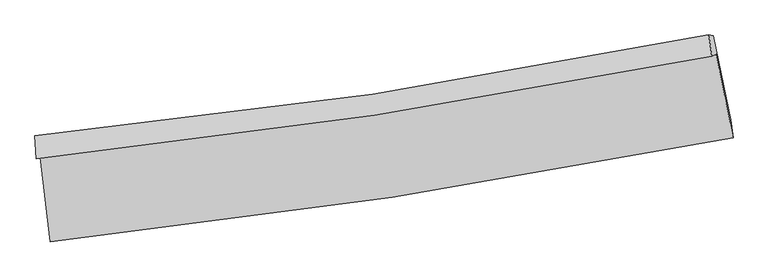
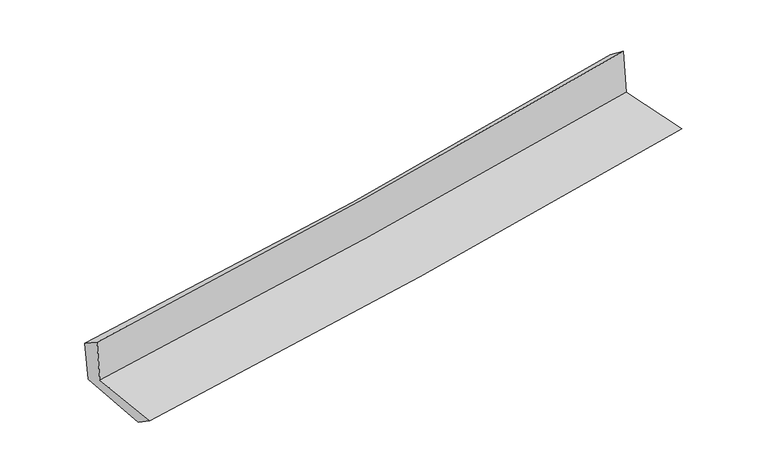
"""IFC4 building model written with IfcOpenShell, lengths in millimetres: proxy geometry."""

from ifc_helpers import new_model, si_unit, frame, origin, place, context, project, spatial, source, transform, mapped, element, save
from ifc_brep_helpers import plane_surface, spline_curve, spline_surface, advanced_brep


def generic_models_09e2819f(model_context):
    return source(origin(), model_context, "Body", "AdvancedBrep", [
        advanced_brep(
        [(-2657.7393669, -1886.7534373, 1660.7024818), (-2582.0144725, -2547.4401528, 1644.7660839), (2740.0879882, -1737.6016158, 2103.6376769), (2607.7676107, -1086.0824195, 2109.2347751), (-2689.190393, -1899.6254647, 2044.9017162), (2573.8259212, -1099.9738059, 2523.8594387), (-2699.7494974, -1719.9414822, 1932.0431557), (2551.4314717, -935.2761497, 2400.5583265), (-2668.5950276, -1725.8743402, 1576.0231387), (2586.3817788, -941.3587472, 2020.1483156), (-2590.7032315, -2382.7132522, 1529.7246114), (2722.2243776, -1594.4797238, 1978.4713154)],
        [
            (0, 1),
            (1, 2, spline_curve(3, [(-2582.0144725, -2547.4401528, 1644.7660839), (-1691.327066162, -2451.188049845, 1732.24324724), (-803.120224488, -2335.702402097, 1814.173298148), (970.928491996, -2065.869139923, 1967.163061764), (1856.755803784, -1911.408608516, 2038.190208516), (2740.0879882, -1737.6016158, 2103.6376769)], [4, 2, 4], [0.0, 8.80519367387037, 17.636196352490092])),
            (2, 3),
            (3, 0, spline_curve(3, [(2607.7676107, -1086.0824195, 2109.2347751), (1733.595127419, -1257.984601145, 2047.301855621), (857.071068093, -1410.7279229, 1978.893543514), (-898.111649497, -1677.506440667, 1829.3449851), (-1776.756582463, -1791.653458129, 1748.242532714), (-2657.7393669, -1886.7534373, 1660.7024818)], [4, 2, 4], [0.0, 8.831002678619722, 17.636196352490092])),
            (4, 0),
            (3, 5),
            (5, 4, spline_curve(3, [(2573.8259212, -1099.9738059, 2523.8594387), (1700.347148649, -1275.294232064, 2460.132484594), (824.377599892, -1429.658979853, 2388.285589294), (-929.975709062, -1696.087223909, 2228.585622603), (-1808.344931817, -1808.273029037, 2140.779943937), (-2689.190393, -1899.6254647, 2044.9017162)], [4, 2, 4], [0.0, 8.783685622071534, 17.5417005256316])),
            (6, 4),
            (5, 7),
            (7, 6, spline_curve(3, [(2551.4314717, -935.2761497, 2400.5583265), (1681.255880193, -1112.374455513, 2328.627041052), (807.924672628, -1266.374323708, 2253.556744776), (-942.487401644, -1527.794619341, 2097.366700262), (-1819.549850462, -1635.349862105, 2016.265273081), (-2699.7494974, -1719.9414822, 1932.0431557)], [4, 2, 4], [0.0, 8.771994373436746, 17.518352196564948])),
            (8, 6),
            (7, 9),
            (9, 8, spline_curve(3, [(2586.3817788, -941.3587472, 2020.1483156), (1715.699679779, -1118.471990389, 1950.712786337), (841.798343066, -1272.466801217, 1878.926994402), (-909.879381914, -1533.837067245, 1730.87155157), (-1787.636980397, -1641.347453657, 1654.615617728), (-2668.5950276, -1725.8743402, 1576.0231387)], [4, 2, 4], [0.0, 8.761336067531442, 17.497066734135416])),
            (10, 8),
            (9, 11),
            (11, 10, spline_curve(3, [(2722.2243776, -1594.4797238, 1978.4713154), (1841.672547064, -1771.091840771, 1908.358211856), (958.000188099, -1925.147191014, 1835.847873626), (-812.993894776, -2187.760046829, 1686.251647345), (-1700.29740552, -2296.449206109, 1609.179751183), (-2590.7032315, -2382.7132522, 1529.7246114)], [4, 2, 4], [0.0, 8.810266848300163, 17.59478529325295])),
            (1, 10),
            (11, 2),
        ],
        [
            spline_surface(3, 3, [[(-2657.7393669, -1886.7534373, 1660.7024818), (-1776.756582604, -1791.653458004, 1748.242532796), (-898.111649509, -1677.506440609, 1829.344985117), (857.071068105, -1410.727922959, 1978.893543497), (1733.595127562, -1257.984601108, 2047.301855612), (2607.7676107, -1086.0824195, 2109.2347751)], [(-2632.497735432, -2106.982342458, 1655.390349159), (-1748.280077123, -2011.498321985, 1742.909437598), (-866.447841174, -1896.905094468, 1824.287756097), (895.023542734, -1629.108328565, 1974.983382935), (1774.648686349, -1475.792603602, 2044.264639957), (2651.874403205, -1303.255484952, 2107.369075714)], [(-2607.256103968, -2327.211247642, 1650.078216541), (-1719.803571647, -2231.343185994, 1737.576342422), (-834.784032829, -2116.303748355, 1819.230527099), (932.976017373, -1847.488734199, 1971.073222395), (1815.702245122, -1693.600606039, 2041.227424261), (2695.981195695, -1520.428550348, 2105.503376286)], [(-2582.0144725, -2547.4401528, 1644.7660839), (-1691.327066165, -2451.188049976, 1732.243247224), (-803.120224494, -2335.702402214, 1814.173298079), (970.928492002, -2065.869139806, 1967.163061833), (1856.755803909, -1911.408608533, 2038.190208606), (2740.0879882, -1737.6016158, 2103.6376769)]], [4, 4], [4, 2, 4], [0.0, 2.181940538935233], [0.0, 8.80519367387037, 17.636196352490092]),
            spline_surface(3, 3, [[(-2689.190393, -1899.6254647, 2044.9017162), (-1808.344931818, -1808.273029153, 2140.779943878), (-929.975709048, -1696.087223923, 2228.585622633), (824.377599878, -1429.658979839, 2388.285589264), (1700.347148528, -1275.294232135, 2460.13248462), (2573.8259212, -1099.9738059, 2523.8594387)], [(-2678.706717623, -1895.334788896, 1916.835304747), (-1797.815482069, -1802.733172099, 2009.934140198), (-919.35435587, -1689.893629497, 2095.505410125), (835.275422619, -1423.348627557, 2251.821574006), (1711.429808217, -1269.524355111, 2322.522274935), (2585.139817711, -1095.343343752, 2385.651217484)], [(-2668.223042277, -1891.044113104, 1788.768893253), (-1787.286032353, -1797.193315058, 1879.088336476), (-908.733002687, -1683.700035035, 1962.425197625), (846.173245365, -1417.03827524, 2115.357558755), (1722.512467873, -1263.754478132, 2184.912065297), (2596.453714189, -1090.712881648, 2247.442996316)], [(-2657.7393669, -1886.7534373, 1660.7024818), (-1776.756582604, -1791.653458004, 1748.242532796), (-898.111649509, -1677.506440609, 1829.344985117), (857.071068105, -1410.727922959, 1978.893543497), (1733.595127562, -1257.984601108, 2047.301855612), (2607.7676107, -1086.0824195, 2109.2347751)]], [4, 4], [4, 2, 4], [0.0, 1.3321887014359775], [0.0, 8.758014903560067, 17.5417005256316]),
            spline_surface(3, 3, [[(-2699.7494974, -1719.9414822, 1932.0431557), (-1819.549850519, -1635.349862064, 2016.265272976), (-942.487401652, -1527.794619353, 2097.36670023), (807.924672636, -1266.374323696, 2253.556744808), (1681.255880107, -1112.374455556, 2328.627041183), (2551.4314717, -935.2761497, 2400.5583265)], [(-2696.229795918, -1779.836143055, 1969.66267584), (-1815.814877604, -1692.990917781, 2057.77016325), (-938.316837437, -1583.892154191, 2141.106341038), (813.408981731, -1320.802542391, 2298.466359633), (1687.619636238, -1166.681047762, 2372.462189011), (2558.896288191, -990.175368446, 2441.658697249)], [(-2692.710094482, -1839.730803845, 2007.28219606), (-1812.079904733, -1750.631973435, 2099.275053604), (-934.146273263, -1639.989689086, 2184.845981825), (818.893290784, -1375.230761143, 2343.375974439), (1693.983392397, -1220.987639929, 2416.297336792), (2566.361104709, -1045.074587154, 2482.759067951)], [(-2689.190393, -1899.6254647, 2044.9017162), (-1808.344931818, -1808.273029153, 2140.779943878), (-929.975709048, -1696.087223923, 2228.585622633), (824.377599878, -1429.658979839, 2388.285589264), (1700.347148528, -1275.294232135, 2460.13248462), (2573.8259212, -1099.9738059, 2523.8594387)]], [4, 4], [4, 2, 4], [0.0, 0.6988786609046139], [0.0, 8.746357823128202, 17.518352196564948]),
            spline_surface(3, 3, [[(-2668.5950276, -1725.8743402, 1576.0231387), (-1787.636980392, -1641.347453749, 1654.615617672), (-909.879381783, -1533.837067138, 1730.871551463), (841.798342934, -1272.466801325, 1878.926994509), (1715.699679771, -1118.471990293, 1950.712786374), (2586.3817788, -941.3587472, 2020.1483156)], [(-2678.979850872, -1723.896720852, 1694.696477695), (-1798.274603773, -1639.348256505, 1775.165502768), (-920.748721741, -1531.822917894, 1853.036601049), (830.5071195, -1270.435975467, 2003.803577939), (1704.218413214, -1116.439478719, 2076.684204635), (2574.731676431, -939.331214705, 2146.951652558)], [(-2689.364674128, -1721.919101548, 1813.369816705), (-1808.912227138, -1637.349059307, 1895.71538788), (-931.618061694, -1529.808768596, 1975.201650645), (819.215896071, -1268.405149554, 2128.680161378), (1692.737146664, -1114.40696713, 2202.655622921), (2563.081574069, -937.303682195, 2273.754989542)], [(-2699.7494974, -1719.9414822, 1932.0431557), (-1819.549850519, -1635.349862064, 2016.265272976), (-942.487401652, -1527.794619353, 2097.36670023), (807.924672636, -1266.374323696, 2253.556744808), (1681.255880107, -1112.374455556, 2328.627041183), (2551.4314717, -935.2761497, 2400.5583265)]], [4, 4], [4, 2, 4], [0.0, 1.2208394510012397], [0.0, 8.735730666603974, 17.497066734135416]),
            spline_surface(3, 3, [[(-2590.7032315, -2382.7132522, 1529.7246114), (-1700.297405404, -2296.449206122, 1609.179751078), (-812.993894741, -2187.760046813, 1686.251647363), (958.000188064, -1925.14719103, 1835.847873608), (1841.672547128, -1771.091840865, 1908.358211994), (2722.2243776, -1594.4797238, 1978.4713154)], [(-2616.667163549, -2163.766948203, 1545.157453836), (-1729.410597082, -2078.081955334, 1624.325039945), (-845.289057093, -1969.785720259, 1701.124948747), (919.266239682, -1707.587061133, 1850.207580592), (1799.681591351, -1553.551890662, 1922.476403448), (2676.943511342, -1376.772731588, 1992.363648794)], [(-2642.631095551, -1944.820644197, 1560.590296264), (-1758.523788713, -1859.714704537, 1639.470328805), (-877.584219431, -1751.811393692, 1715.99825008), (880.532291315, -1490.026931223, 1864.567287525), (1757.690635547, -1336.011940496, 1936.594594919), (2631.662645058, -1159.065739412, 2006.255982206)], [(-2668.5950276, -1725.8743402, 1576.0231387), (-1787.636980392, -1641.347453749, 1654.615617672), (-909.879381783, -1533.837067138, 1730.871551463), (841.798342934, -1272.466801325, 1878.926994509), (1715.699679771, -1118.471990293, 1950.712786374), (2586.3817788, -941.3587472, 2020.1483156)]], [4, 4], [4, 2, 4], [0.0, 2.1764629930221253], [0.0, 8.784518444952788, 17.59478529325295]),
            spline_surface(3, 3, [[(-2582.0144725, -2547.4401528, 1644.7660839), (-1691.327066165, -2451.188049976, 1732.243247224), (-803.120224494, -2335.702402214, 1814.173298079), (970.928492002, -2065.869139806, 1967.163061833), (1856.755803909, -1911.408608533, 2038.190208606), (2740.0879882, -1737.6016158, 2103.6376769)], [(-2584.910725506, -2492.531185937, 1606.418926422), (-1694.317179251, -2399.608435362, 1691.222081864), (-806.411447911, -2286.388283742, 1771.53274783), (966.619057354, -2018.961823542, 1923.391332414), (1851.728051635, -1864.636352634, 1994.912876402), (2734.13345132, -1689.894318457, 2061.9155564)], [(-2587.806978494, -2437.622219063, 1568.071768878), (-1697.307292319, -2348.028820736, 1650.200916438), (-809.702671323, -2237.074165286, 1728.892197612), (962.309622712, -1972.054507294, 1879.619603027), (1846.700299402, -1817.864096763, 1951.635544198), (2728.17891448, -1642.187021143, 2020.1934359)], [(-2590.7032315, -2382.7132522, 1529.7246114), (-1700.297405404, -2296.449206122, 1609.179751078), (-812.993894741, -2187.760046813, 1686.251647363), (958.000188064, -1925.14719103, 1835.847873608), (1841.672547128, -1771.091840865, 1908.358211994), (2722.2243776, -1594.4797238, 1978.4713154)]], [4, 4], [4, 2, 4], [0.0, 0.6375392663564353], [0.0, 8.84226562989284, 17.710448926572973]),
            plane_surface(frame((2630.2865247, -1232.462077, 2189.318308), z_axis=(0.9764600825978396, 0.19757072206291468, 0.08655354918522518), x_axis=(-0.09147843968796852, 0.015920504662611593, 0.9956797841693596))),
            plane_surface(frame((-2647.9986648, -2027.0580216, 1731.360198), z_axis=(-0.9901473823427075, -0.11144099497607708, -0.0847883593344397), x_axis=(-0.11383725420239534, 0.9932105177356775, 0.023957191297950892))),
        ],
        [
            (0, [[1, 2, 3, 4]]),
            (1, [[5, -4, 6, 7]]),
            (2, [[8, -7, 9, 10]]),
            (3, [[11, -10, 12, 13]]),
            (4, [[14, -13, 15, 16]]),
            (5, [[17, -16, 18, -2]]),
            (6, [[-12, -9, -6, -3, -18, -15]]),
            (7, [[-1, -5, -8, -11, -14, -17]]),
        ],
    ),
    ])


if __name__ == "__main__":
    model = new_model("IFC4")
    model_context = context("Model", 3, world=origin())
    ifc_project = project(units=[si_unit("LENGTHUNIT", "METRE", prefix="MILLI")], contexts=[model_context])
    site = spatial("IfcSite", under=ifc_project)
    building = spatial("IfcBuilding", under=site)
    placement = place(None, origin())
    generic_models_shape = generic_models_09e2819f(model_context)
    element("IfcBuildingElementProxy", 1, Name="Generic Models", at=placement, inside=building, context=model_context, shape_type="MappedRepresentation", body=[
        mapped(generic_models_shape, transform((0.0, 0.0, 0.0), x_axis=(1.0, 0.0, 0.0), y_axis=(0.0, 1.0, 0.0), z_axis=(0.0, 0.0, 1.0))),
    ])
    save(model, "model.ifc")
